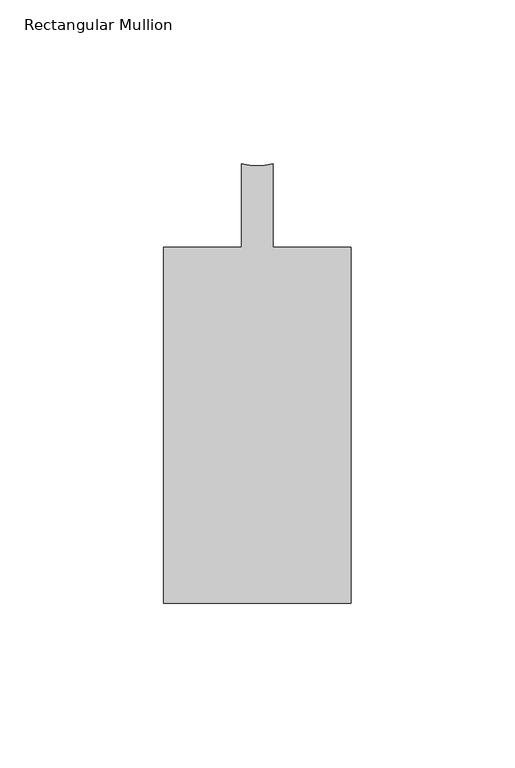
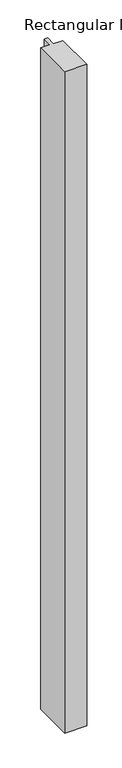
"""IFC4 building model written with IfcOpenShell, lengths in millimetres: member geometry, Rectangular Mullion."""

from ifc_helpers import new_model, si_unit, point, frame, frame_2d, origin, place, context, project, spatial, polyline, circle_curve, trimmed, segment, composite_curve, outline, extrude, source, transform, mapped, element, save


def rectangular_mullion_f5115c8c(model_context):
    return source(origin(), model_context, "Body", "SweptSolid", [
        extrude(outline(composite_curve([segment(polyline([(-28.575, -12.7), (-4.7624873, -12.7), (-4.7624873, 12.7)]), True, "CONTINUOUS"), segment(trimmed(circle_curve(frame_2d((1.27e-05, 29.4539151)), 17.4176657), [point((-4.7624873, 12.7))], [point((4.7625127, 12.7))], True, "CARTESIAN"), True, "CONTINUOUS"), segment(polyline([(4.7625127, 12.7), (4.7625127, -12.7), (28.575, -12.7), (28.575, -121.2596), (-28.575, -121.2596), (-28.575, -12.7)]), True, "CONTINUOUS")], self_intersect=False)), frame((0.0, 0.0, -1819.130463), z_axis=(0.0, 0.0, 1.0), x_axis=(1.0, 0.0, 0.0)), (0.0, 0.0, 1.0), 1819.130463),
    ])


if __name__ == "__main__":
    model = new_model("IFC4")
    model_context = context("Model", 3, world=origin())
    ifc_project = project(units=[si_unit("LENGTHUNIT", "METRE", prefix="MILLI")], contexts=[model_context])
    site = spatial("IfcSite", under=ifc_project)
    building = spatial("IfcBuilding", under=site)
    placement = place(None, origin())
    rectangular_mullion_shape = rectangular_mullion_f5115c8c(model_context)
    element("IfcMember", 1, ObjectType="Rectangular Mullion", at=placement, inside=building, context=model_context, shape_type="MappedRepresentation", body=[
        mapped(rectangular_mullion_shape, transform((0.0, 0.0, 0.0), x_axis=(1.0, 0.0, 0.0), y_axis=(0.0, 1.0, 0.0), z_axis=(0.0, 0.0, 1.0))),
    ])
    save(model, "model.ifc")
